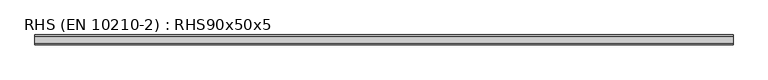
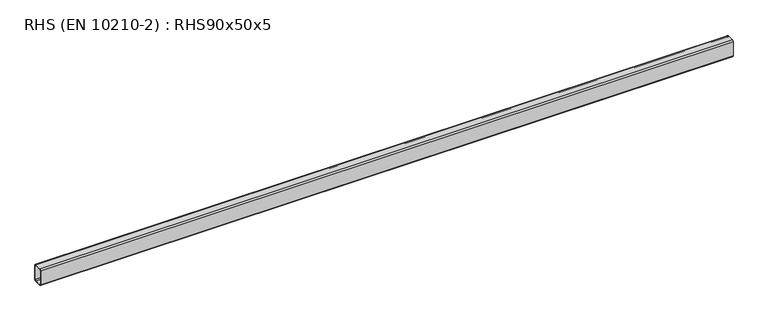
"""IFC4 building model written with IfcOpenShell, lengths in millimetres: beam geometry, RHS (EN 10210-2) : RHS90x50x5."""

import ifcopenshell
import ifcopenshell.guid

model = None  # the IFC model being written
_history = None  # IfcOwnerHistory: only IFC2X3 demands one
_inside = {}  # id of a spatial element -> (the spatial element, [elements in it])
_under = {}  # id of a project, library or spatial element -> (it, [spatial elements below it])
_declared = {}  # id of a project -> (the project, [libraries it declares])
_typed = {}  # id of a type object -> (the type object, [elements of that type])
_made_of = {}  # id of a material, layer set ... -> (it, [elements and type objects made of it])


def new_model(schema):
    """Start an empty IFC model of exactly this schema.

    Asked for "IFC4X3", IfcOpenShell would pick the latest addendum, in which some entities
    have other attributes; the version numbers below select the first issue.
    IFC2X3 requires an IfcOwnerHistory on every rooted entity: one is made here for all.
    """
    global model, _history
    if schema == "IFC4X3":
        model = ifcopenshell.file(schema_version=(4, 3, 0, 0))
    else:
        model = ifcopenshell.file(schema=schema)
    _inside.clear()
    _under.clear()
    _declared.clear()
    _typed.clear()
    _made_of.clear()
    _history = None
    if model.schema == "IFC2X3":
        org = make("IfcOrganization", Name="unknown")
        user = make(
            "IfcPersonAndOrganization",
            ThePerson=make("IfcPerson", FamilyName="unknown"),
            TheOrganization=org,
        )
        app = make(
            "IfcApplication",
            ApplicationDeveloper=org,
            Version="unknown",
            ApplicationFullName="unknown",
            ApplicationIdentifier="unknown",
        )
        _history = make(
            "IfcOwnerHistory",
            OwningUser=user,
            OwningApplication=app,
            ChangeAction="ADDED",
            CreationDate=0,
        )
    return model


def make(cls, **values):
    """One entity of the class cls with the attributes given. An attribute that is None is left unset."""
    return model.create_entity(
        cls, **{name: value for name, value in values.items() if value is not None}
    )


def rooted(cls, **values):
    """An entity with a GlobalId (a new one), such as an element, a storey or a relation."""
    return make(cls, GlobalId=ifcopenshell.guid.new(), OwnerHistory=_history, **values)


def si_unit(unit_type, name, prefix=None):
    """IfcSIUnit, for example si_unit("LENGTHUNIT", "METRE", prefix="MILLI")."""
    return make("IfcSIUnit", UnitType=unit_type, Prefix=prefix, Name=name)


def assignment(units):
    """IfcUnitAssignment: the units of a project."""
    return None if units is None else make("IfcUnitAssignment", Units=units)


def point(xyz):
    """IfcCartesianPoint."""
    return None if xyz is None else make("IfcCartesianPoint", Coordinates=xyz)


def direction(xyz):
    """IfcDirection."""
    return None if xyz is None else make("IfcDirection", DirectionRatios=xyz)


def frame(location, z_axis=None, x_axis=None):
    """IfcAxis2Placement3D, a coordinate frame: its origin and axes. An axis left out is left unset."""
    return make(
        "IfcAxis2Placement3D",
        Location=point(location),
        Axis=direction(z_axis),
        RefDirection=direction(x_axis),
    )


def frame_2d(location, x_axis=None):
    """IfcAxis2Placement2D, a coordinate frame in the plane: its origin and x axis."""
    return make(
        "IfcAxis2Placement2D", Location=point(location), RefDirection=direction(x_axis)
    )


def origin():
    """The frame at (0, 0, 0) with its axes left unset."""
    return frame((0.0, 0.0, 0.0))


def place(relative_to, where):
    """IfcLocalPlacement: puts the frame where relative to a parent placement (None: the world)."""
    return make(
        "IfcLocalPlacement", PlacementRelTo=relative_to, RelativePlacement=where
    )


def context(
    kind, dimensions, precision=None, world=None, true_north=None, identifier=None
):
    """IfcGeometricRepresentationContext, for example the 3D "Model" context."""
    return make(
        "IfcGeometricRepresentationContext",
        ContextIdentifier=identifier,
        ContextType=kind,
        CoordinateSpaceDimension=dimensions,
        Precision=precision,
        WorldCoordinateSystem=world,
        TrueNorth=true_north,
    )


def project(units=None, contexts=None):
    """IfcProject with its units and contexts."""
    return rooted(
        "IfcProject",
        Name="project",
        RepresentationContexts=contexts,
        UnitsInContext=assignment(units),
    )


def spatial(cls, under=None, at=None, **own):
    """A site, building, storey or space (cls), placed at a placement, below another one or the project."""
    s = rooted(cls, ObjectPlacement=at, **own)
    if under is not None:
        _under.setdefault(under.id(), (under, []))[1].append(s)
    return s


def polyline(points):
    """IfcPolyline through the points."""
    return make("IfcPolyline", Points=[point(p) for p in points])


def circle_curve(where, radius):
    """IfcCircle in the frame where."""
    return make("IfcCircle", Position=where, Radius=radius)


def trimmed(basis, trim1, trim2, sense, master):
    """IfcTrimmedCurve: the piece of a basis curve between two trims."""
    return make(
        "IfcTrimmedCurve",
        BasisCurve=basis,
        Trim1=trim1,
        Trim2=trim2,
        SenseAgreement=sense,
        MasterRepresentation=master,
    )


def segment(curve, same_sense, transition):
    """IfcCompositeCurveSegment."""
    return make(
        "IfcCompositeCurveSegment",
        Transition=transition,
        SameSense=same_sense,
        ParentCurve=curve,
    )


def composite_curve(segments, self_intersect=None):
    """IfcCompositeCurve: segments joined end to end."""
    return make("IfcCompositeCurve", Segments=segments, SelfIntersect=self_intersect)


def outline(outer, holes=None, kind="AREA"):
    """IfcArbitraryClosedProfileDef: a profile drawn as a closed curve; with holes, ...WithVoids."""
    if holes is None:
        return make("IfcArbitraryClosedProfileDef", ProfileType=kind, OuterCurve=outer)
    return make(
        "IfcArbitraryProfileDefWithVoids",
        ProfileType=kind,
        OuterCurve=outer,
        InnerCurves=holes,
    )


def extrude(swept, where, along, depth):
    """IfcExtrudedAreaSolid: the profile swept, set in the frame where, extruded along a direction by depth."""
    return make(
        "IfcExtrudedAreaSolid",
        SweptArea=swept,
        Position=where,
        ExtrudedDirection=direction(along),
        Depth=depth,
    )


def shape(context_of_items, identifier, shape_type, items):
    """IfcShapeRepresentation: the items that make up one representation, for example the "Body"."""
    return make(
        "IfcShapeRepresentation",
        ContextOfItems=context_of_items,
        RepresentationIdentifier=identifier,
        RepresentationType=shape_type,
        Items=items,
    )


def source(mapping_origin, context_of_items, identifier, shape_type, items):
    """IfcRepresentationMap: a shape defined once, which mapped items show again and again."""
    return make(
        "IfcRepresentationMap",
        MappingOrigin=mapping_origin,
        MappedRepresentation=shape(context_of_items, identifier, shape_type, items),
    )


def transform(
    local_origin,
    x_axis=None,
    y_axis=None,
    z_axis=None,
    scale=None,
    scale2=None,
    scale3=None,
    uniform=True,
):
    """IfcCartesianTransformationOperator3D, or its non-uniform kind. x_axis, y_axis, z_axis: its Axis1, 2, 3."""
    if uniform:
        return make(
            "IfcCartesianTransformationOperator3D",
            Axis1=direction(x_axis),
            Axis2=direction(y_axis),
            LocalOrigin=point(local_origin),
            Scale=scale,
            Axis3=direction(z_axis),
        )
    return make(
        "IfcCartesianTransformationOperator3DnonUniform",
        Axis1=direction(x_axis),
        Axis2=direction(y_axis),
        LocalOrigin=point(local_origin),
        Scale=scale,
        Axis3=direction(z_axis),
        Scale2=scale2,
        Scale3=scale3,
    )


def mapped(mapping_source, mapping_target):
    """IfcMappedItem: shows the shape of a source again, moved by a transform."""
    return make(
        "IfcMappedItem", MappingSource=mapping_source, MappingTarget=mapping_target
    )


def made_of(thing, what):
    """Note that an element or type object is made of a material, layer set ...; save() writes the relation."""
    if what is not None:
        _made_of.setdefault(what.id(), (what, []))[1].append(thing)
    return thing


def element(
    cls,
    number,
    at=None,
    inside=None,
    cuts=None,
    type_object=None,
    material=None,
    context=None,
    identifier="Body",
    shape_type=None,
    held_by="IfcProductDefinitionShape",
    body=None,
    shapes=None,
    **own,
):
    """One element of the class cls, such as IfcWall. Its Tag is "e" and its number.

    at: its placement. inside: the storey or other place that contains it. cuts: it is an
    opening in that element (IfcRelVoidsElement). A single representation is given by context,
    identifier, shape_type and body (its items); several are given by shapes. held_by: the class
    of the entity that holds the representations. save() writes the other relations.
    """
    e = rooted(cls, Tag="e%d" % number, ObjectPlacement=at, **own)
    if body is not None:
        shapes = [shape(context, identifier, shape_type, body)]
    if shapes is not None:
        e.Representation = make(held_by, Representations=shapes)
    if inside is not None:
        _inside.setdefault(inside.id(), (inside, []))[1].append(e)
    if cuts is not None:
        rooted(
            "IfcRelVoidsElement", RelatingBuildingElement=cuts, RelatedOpeningElement=e
        )
    if type_object is not None:
        _typed.setdefault(type_object.id(), (type_object, []))[1].append(e)
    return made_of(e, material)


def aggregate(whole, parts):
    """IfcRelAggregates: a whole, such as a stair, and the parts it consists of."""
    return rooted("IfcRelAggregates", RelatingObject=whole, RelatedObjects=parts)


def save(model, path):
    """Write the relations noted so far, then the file.

    IfcRelAggregates (storeys below a building ...), IfcRelContainedInSpatialStructure (elements
    in a storey), IfcRelDefinesByType, IfcRelAssociatesMaterial and IfcRelDeclares: one each for
    every whole, place, type object, material and project.
    """
    for whole, parts in _under.values():
        aggregate(whole, parts)
    for where, things in _inside.values():
        rooted(
            "IfcRelContainedInSpatialStructure",
            RelatedElements=things,
            RelatingStructure=where,
        )
    for kind, things in _typed.values():
        rooted("IfcRelDefinesByType", RelatedObjects=things, RelatingType=kind)
    for what, things in _made_of.values():
        rooted("IfcRelAssociatesMaterial", RelatedObjects=things, RelatingMaterial=what)
    for by, libraries in _declared.values():
        rooted("IfcRelDeclares", RelatingContext=by, RelatedDefinitions=libraries)
    model.write(path)


def rhs_en_10210_2_rhs90x50x5_29f5210b(model_context):
    return source(origin(), model_context, "Body", "SweptSolid", [
        extrude(outline(composite_curve([segment(polyline([(25.0, 37.5), (25.0, -37.5)]), True, "CONTINUOUS"), segment(trimmed(circle_curve(frame_2d((17.5, -37.5)), 7.5), [point((25.0, -37.5))], [point((17.5, -45.0))], False, "CARTESIAN"), True, "CONTINUOUS"), segment(polyline([(17.5, -45.0), (-17.5, -45.0)]), True, "CONTINUOUS"), segment(trimmed(circle_curve(frame_2d((-17.5, -37.5)), 7.5), [point((-17.5, -45.0))], [point((-25.0, -37.5))], False, "CARTESIAN"), True, "CONTINUOUS"), segment(polyline([(-25.0, -37.5), (-25.0, 37.5)]), True, "CONTINUOUS"), segment(trimmed(circle_curve(frame_2d((-17.5, 37.5)), 7.5), [point((-25.0, 37.5))], [point((-17.5, 45.0))], False, "CARTESIAN"), True, "CONTINUOUS"), segment(polyline([(-17.5, 45.0), (17.5, 45.0)]), True, "CONTINUOUS"), segment(trimmed(circle_curve(frame_2d((17.5, 37.5)), 7.5), [point((17.5, 45.0))], [point((25.0, 37.5))], False, "CARTESIAN"), True, "CONTINUOUS")], self_intersect=False), holes=[composite_curve([segment(trimmed(circle_curve(frame_2d((-15.0, 35.0)), 5.0), [point((-15.0, 40.0))], [point((-20.0, 35.0))], True, "CARTESIAN"), True, "CONTINUOUS"), segment(polyline([(-20.0, 35.0), (-20.0, -35.0)]), True, "CONTINUOUS"), segment(trimmed(circle_curve(frame_2d((-15.0, -35.0)), 5.0), [point((-20.0, -35.0))], [point((-15.0, -40.0))], True, "CARTESIAN"), True, "CONTINUOUS"), segment(polyline([(-15.0, -40.0), (15.0, -40.0)]), True, "CONTINUOUS"), segment(trimmed(circle_curve(frame_2d((15.0, -35.0)), 5.0), [point((15.0, -40.0))], [point((20.0, -35.0))], True, "CARTESIAN"), True, "CONTINUOUS"), segment(polyline([(20.0, -35.0), (20.0, 35.0)]), True, "CONTINUOUS"), segment(trimmed(circle_curve(frame_2d((15.0, 35.0)), 5.0), [point((20.0, 35.0))], [point((15.0, 40.0))], True, "CARTESIAN"), True, "CONTINUOUS"), segment(polyline([(15.0, 40.0), (-15.0, 40.0)]), True, "CONTINUOUS")], self_intersect=False)]), frame((-1774.45, 0.0, 0.0), z_axis=(1.0, 0.0, 0.0), x_axis=(0.0, 1.0, 0.0)), (0.0, 0.0, 1.0), 3532.1),
    ])


if __name__ == "__main__":
    model = new_model("IFC4")
    model_context = context("Model", 3, world=origin())
    ifc_project = project(units=[si_unit("LENGTHUNIT", "METRE", prefix="MILLI")], contexts=[model_context])
    site = spatial("IfcSite", under=ifc_project)
    building = spatial("IfcBuilding", under=site)
    placement = place(None, origin())
    rhs_en_10210_2_rhs90x50x5_shape = rhs_en_10210_2_rhs90x50x5_29f5210b(model_context)
    element("IfcBeam", 1, ObjectType="RHS (EN 10210-2) : RHS90x50x5", at=placement, inside=building, context=model_context, shape_type="MappedRepresentation", body=[
        mapped(rhs_en_10210_2_rhs90x50x5_shape, transform((0.0, 0.0, 0.0), x_axis=(1.0, 0.0, 0.0), y_axis=(0.0, 1.0, 0.0), z_axis=(0.0, 0.0, 1.0))),
    ])
    save(model, "model.ifc")
